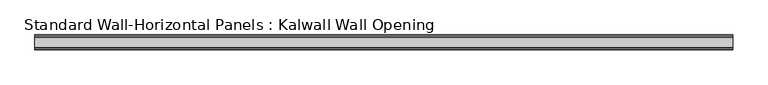
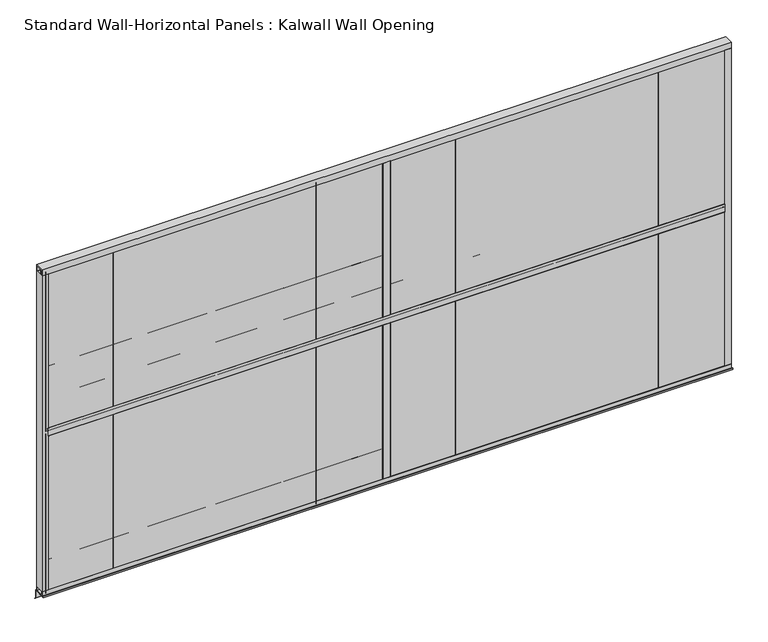
"""IFC4 building model written with IfcOpenShell, lengths in millimetres: proxy geometry, Standard Wall-Horizontal Panels : Kalwall Wall Opening."""

from ifc_helpers import new_model, si_unit, point, frame, frame_2d, origin, place, context, project, spatial, polyline, circle_curve, trimmed, segment, composite_curve, outline, extrude, source, transform, mapped, element, save


def standard_wall_horizontal_panels_kalwall_wall_opening_d6e41060(model_context):
    return source(origin(), model_context, "Body", "SweptSolid", [
        extrude(outline(polyline([(-30.734, -1359.916), (-30.734, -1371.6), (77.216, -1371.6), (77.216, -1439.4149029), (85.8986766, -1448.0975795), (85.1802561, -1448.816), (76.2, -1439.8357439), (76.2, -1372.616), (-31.75, -1372.616), (-31.75, -1359.916), (-30.734, -1359.916)])), frame((-2743.2, 0.0, 0.0), z_axis=(1.0, 0.0, 0.0), x_axis=(0.0, 1.0, 0.0)), (0.0, 0.0, 1.0), 5486.4),
        extrude(outline(composite_curve([segment(polyline([(-9.525, 25.4), (-9.525, -9.0932), (-3.9563337, -9.0932), (-1.4106774, -5.715), (-1.9595578, -4.9866111), (1.9264857, -1.1005677), (1.9264857, 1.905), (0.6564857, 1.905), (0.6564857, 3.175), (4.4664857, 3.175), (4.4664857, 1.905), (3.1964857, 1.905), (3.1964857, -1.3589), (18.3776675, -1.3589)]), True, "CONTINUOUS"), segment(trimmed(circle_curve(frame_2d((19.1396675, -1.3589)), 0.762), [point((18.3776675, -1.3589))], [point((19.6381732, -0.7825875))], False, "CARTESIAN"), True, "CONTINUOUS"), segment(polyline([(19.6381732, -0.7825875), (20.8494857, -1.9939), (19.4524857, -3.3909), (2.8690455, -3.3909), (1.3553955, -4.90455)]), True, "CONTINUOUS"), segment(trimmed(circle_curve(frame_2d((2.1658455, -5.715)), 1.1461494), [point((1.3553955, -4.90455))], [point((1.3553955, -6.52545))], True, "CARTESIAN"), True, "CONTINUOUS"), segment(polyline([(1.3553955, -6.52545), (2.7674455, -7.9375), (19.8958311, -7.9375), (20.8494857, -9.4361), (19.6381732, -10.6474125)]), True, "CONTINUOUS"), segment(trimmed(circle_curve(frame_2d((19.1396675, -10.0711)), 0.762), [point((19.6381732, -10.6474125))], [point((18.3776675, -10.0711))], False, "CARTESIAN"), True, "CONTINUOUS"), segment(polyline([(18.3776675, -10.0711), (1.6681533, -10.0711), (0.9317555, -9.3347022)]), True, "CONTINUOUS"), segment(trimmed(circle_curve(frame_2d((-0.1626604, -10.4291181)), 1.5477378), [point((0.9317555, -9.3347022))], [point((-1.3987388, -9.4976662))], True, "CARTESIAN"), True, "CONTINUOUS"), segment(polyline([(-1.3987388, -9.4976662), (-2.6251735, -11.1252), (-9.525, -11.1252), (-9.525, -41.275), (-11.6874515, -41.275)]), True, "CONTINUOUS"), segment(trimmed(circle_curve(frame_2d((-11.6874515, -40.2624515)), 1.0125485), [point((-11.6874515, -41.275))], [point((-12.7, -40.2624515))], False, "CARTESIAN"), True, "CONTINUOUS"), segment(polyline([(-12.7, -40.2624515), (-12.7, 24.3716164)]), True, "CONTINUOUS"), segment(trimmed(circle_curve(frame_2d((-11.6716163, 24.3716164)), 1.0283836), [point((-12.7, 24.3716164))], [point((-11.6716163, 25.4))], False, "CARTESIAN"), True, "CONTINUOUS"), segment(polyline([(-11.6716163, 25.4), (-9.525, 25.4)]), True, "CONTINUOUS")], self_intersect=False)), frame((-2692.4, 0.0, 0.0), z_axis=(1.0, 0.0, 0.0), x_axis=(0.0, 1.0, 0.0)), (0.0, 0.0, 1.0), 5384.8),
        extrude(outline(composite_curve([segment(polyline([(37.4610857, -1.1938), (37.4610857, -5.0038), (34.9210857, -5.0038), (34.9210857, 0.0762), (60.3210857, 0.0762), (60.3210857, 25.4), (62.0433344, 25.4)]), True, "CONTINUOUS"), segment(trimmed(circle_curve(frame_2d((62.0433344, 23.9433344)), 1.4566656), [point((62.0433344, 25.4))], [point((63.5, 23.9433344))], False, "CARTESIAN"), True, "CONTINUOUS"), segment(polyline([(63.5, 23.9433344), (63.5, -40.0942687)]), True, "CONTINUOUS"), segment(trimmed(circle_curve(frame_2d((62.3192687, -40.0942687)), 1.1807313), [point((63.5, -40.0942687))], [point((62.3192687, -41.275))], False, "CARTESIAN"), True, "CONTINUOUS"), segment(polyline([(62.3192687, -41.275), (60.3210857, -41.275), (60.3210857, -1.1938), (37.4610857, -1.1938)]), True, "CONTINUOUS")], self_intersect=False)), frame((-2692.4, 0.0, 0.0), z_axis=(1.0, 0.0, 0.0), x_axis=(0.0, 1.0, 0.0)), (0.0, 0.0, 1.0), 5384.8),
        extrude(outline(composite_curve([segment(polyline([(2.32332, 20.193), (3.21232, 21.082), (5.87932, 21.082), (5.87932, 19.935227), (4.3638084, 19.935227), (4.3638084, 2.7609064), (1.6984101, 0.0955081), (6.85722, -3.791934), (6.85722, -9.525), (31.75, -9.525), (31.75, -11.4827995)]), True, "CONTINUOUS"), segment(trimmed(circle_curve(frame_2d((30.5327995, -11.4827995)), 1.2172005), [point((31.75, -11.4827995))], [point((30.5327995, -12.7))], False, "CARTESIAN"), True, "CONTINUOUS"), segment(polyline([(30.5327995, -12.7), (-30.5189828, -12.7)]), True, "CONTINUOUS"), segment(trimmed(circle_curve(frame_2d((-30.5189828, -11.4689828)), 1.2310172), [point((-30.5189828, -12.7))], [point((-31.75, -11.4689828))], False, "CARTESIAN"), True, "CONTINUOUS"), segment(polyline([(-31.75, -11.4689828), (-31.75, -9.525), (5.07922, -9.525), (5.07922, -4.9964546), (-4.35688, 2.1141568), (-4.35688, 19.935227), (-5.88088, 19.935227), (-5.88088, 21.082), (-3.72188, 21.082), (-2.32488, 19.685), (-2.32488, 3.5941), (-0.8674053, 2.1366253)]), True, "CONTINUOUS"), segment(trimmed(circle_curve(frame_2d((-0.00078, 3.0032506)), 1.2255933), [point((-0.8674053, 2.1366253))], [point((0.8658453, 2.1366253))], True, "CARTESIAN"), True, "CONTINUOUS"), segment(polyline([(0.8658453, 2.1366253), (2.32332, 3.5941), (2.32332, 20.193)]), True, "CONTINUOUS")], self_intersect=False)), frame((0.0, 0.0, -1336.675), z_axis=(0.0, 0.0, 1.0), x_axis=(1.0, 0.0, 0.0)), (0.0, 0.0, 1.0), 1295.4),
        extrude(outline(composite_curve([segment(polyline([(-6.04598, 53.594), (-6.04598, 60.325), (-31.75, 60.325), (-31.75, 62.3041887)]), True, "CONTINUOUS"), segment(trimmed(circle_curve(frame_2d((-30.5541887, 62.3041887)), 1.1958113), [point((-31.75, 62.3041887))], [point((-30.5541887, 63.5))], False, "CARTESIAN"), True, "CONTINUOUS"), segment(polyline([(-30.5541887, 63.5), (30.5252641, 63.5)]), True, "CONTINUOUS"), segment(trimmed(circle_curve(frame_2d((30.5252641, 62.2752641)), 1.2247359), [point((30.5252641, 63.5))], [point((31.75, 62.2752641))], False, "CARTESIAN"), True, "CONTINUOUS"), segment(polyline([(31.75, 62.2752641), (31.75, 60.325), (6.04442, 60.325), (6.04442, 53.594), (4.76172, 53.594)]), True, "CONTINUOUS"), segment(trimmed(circle_curve(frame_2d((4.76172, 56.769)), 3.175), [point((4.76172, 53.594))], [point((1.58672, 56.769))], False, "CARTESIAN"), True, "CONTINUOUS"), segment(polyline([(1.58672, 56.769), (3.93622, 56.769), (3.93622, 60.325), (-3.93778, 60.325), (-3.93778, 56.769), (-1.58828, 56.769)]), True, "CONTINUOUS"), segment(trimmed(circle_curve(frame_2d((-4.76328, 56.769)), 3.175), [point((-1.58828, 56.769))], [point((-4.76328, 53.594))], False, "CARTESIAN"), True, "CONTINUOUS"), segment(polyline([(-4.76328, 53.594), (-6.04598, 53.594)]), True, "CONTINUOUS")], self_intersect=False)), frame((0.0, 0.0, -1336.675), z_axis=(0.0, 0.0, 1.0), x_axis=(1.0, 0.0, 0.0)), (0.0, 0.0, 1.0), 1295.4),
        extrude(outline(polyline([(11.1125, -7.9375), (11.1125, 58.7375), (2714.625, 58.7375), (2714.625, -7.9375), (11.1125, -7.9375)])), frame((0.0, 0.0, -297.18), z_axis=(0.0, 0.0, 1.0), x_axis=(1.0, 0.0, 0.0)), (0.0, 0.0, 1.0), 12.7),
        extrude(outline(polyline([(11.1125, -7.9375), (11.1125, 58.7375), (2714.625, 58.7375), (2714.625, -7.9375), (11.1125, -7.9375)])), frame((0.0, 0.0, -562.61), z_axis=(0.0, 0.0, 1.0), x_axis=(1.0, 0.0, 0.0)), (0.0, 0.0, 1.0), 12.7),
        extrude(outline(polyline([(11.1125, -7.9375), (11.1125, 58.7375), (2714.625, 58.7375), (2714.625, -7.9375), (11.1125, -7.9375)])), frame((0.0, 0.0, -828.04), z_axis=(0.0, 0.0, 1.0), x_axis=(1.0, 0.0, 0.0)), (0.0, 0.0, 1.0), 12.7),
        extrude(outline(polyline([(11.1125, -7.9375), (11.1125, 58.7375), (2714.625, 58.7375), (2714.625, -7.9375), (11.1125, -7.9375)])), frame((0.0, 0.0, -1093.47), z_axis=(0.0, 0.0, 1.0), x_axis=(1.0, 0.0, 0.0)), (0.0, 0.0, 1.0), 12.7),
        extrude(outline(polyline([(11.1125, -7.9375), (2714.625, -7.9375), (2714.625, -9.525), (11.1125, -9.525), (11.1125, -7.9375)])), frame((0.0, 0.0, -1358.9), z_axis=(0.0, 0.0, 1.0), x_axis=(1.0, 0.0, 0.0)), (0.0, 0.0, 1.0), 1339.85),
        extrude(outline(polyline([(11.1125, 60.325), (2714.625, 60.325), (2714.625, 58.7375), (11.1125, 58.7375), (11.1125, 60.325)])), frame((0.0, 0.0, -1358.9), z_axis=(0.0, 0.0, 1.0), x_axis=(1.0, 0.0, 0.0)), (0.0, 0.0, 1.0), 1339.85),
        extrude(outline(polyline([(549.275, 58.7375), (561.975, 58.7375), (561.975, -7.9375), (549.275, -7.9375), (549.275, 58.7375)])), frame((0.0, 0.0, -1358.9), z_axis=(0.0, 0.0, 1.0), x_axis=(1.0, 0.0, 0.0)), (0.0, 0.0, 1.0), 1339.85),
        extrude(outline(polyline([(1087.4375, 58.7375), (1100.1375, 58.7375), (1100.1375, -7.9375), (1087.4375, -7.9375), (1087.4375, 58.7375)])), frame((0.0, 0.0, -1358.9), z_axis=(0.0, 0.0, 1.0), x_axis=(1.0, 0.0, 0.0)), (0.0, 0.0, 1.0), 1339.85),
        extrude(outline(polyline([(1625.6, 58.7375), (1638.3, 58.7375), (1638.3, -7.9375), (1625.6, -7.9375), (1625.6, 58.7375)])), frame((0.0, 0.0, -1358.9), z_axis=(0.0, 0.0, 1.0), x_axis=(1.0, 0.0, 0.0)), (0.0, 0.0, 1.0), 1339.85),
        extrude(outline(polyline([(2163.7625, 58.7375), (2176.4625, 58.7375), (2176.4625, -7.9375), (2163.7625, -7.9375), (2163.7625, 58.7375)])), frame((0.0, 0.0, -1358.9), z_axis=(0.0, 0.0, 1.0), x_axis=(1.0, 0.0, 0.0)), (0.0, 0.0, 1.0), 1339.85),
        extrude(outline(polyline([(11.1125, 58.7375), (23.8125, 58.7375), (23.8125, -7.9375), (11.1125, -7.9375), (11.1125, 58.7375)])), frame((0.0, 0.0, -1358.9), z_axis=(0.0, 0.0, 1.0), x_axis=(1.0, 0.0, 0.0)), (0.0, 0.0, 1.0), 1339.85),
        extrude(outline(polyline([(11.1125, -7.9375), (11.1125, 58.7375), (2714.625, 58.7375), (2714.625, -7.9375), (11.1125, -7.9375)])), frame((0.0, 0.0, -31.75), z_axis=(0.0, 0.0, 1.0), x_axis=(1.0, 0.0, 0.0)), (0.0, 0.0, 1.0), 12.7),
        extrude(outline(polyline([(11.1125, -7.9375), (11.1125, 58.7375), (2714.625, 58.7375), (2714.625, -7.9375), (11.1125, -7.9375)])), frame((0.0, 0.0, -1358.9), z_axis=(0.0, 0.0, 1.0), x_axis=(1.0, 0.0, 0.0)), (0.0, 0.0, 1.0), 12.7),
        extrude(outline(polyline([(2701.925, 58.7375), (2714.625, 58.7375), (2714.625, -7.9375), (2701.925, -7.9375), (2701.925, 58.7375)])), frame((0.0, 0.0, -1358.9), z_axis=(0.0, 0.0, 1.0), x_axis=(1.0, 0.0, 0.0)), (0.0, 0.0, 1.0), 1339.85),
        extrude(outline(polyline([(-2714.625, -9.525), (-2714.625, 57.15), (-11.1125, 57.15), (-11.1125, -9.525), (-2714.625, -9.525)])), frame((0.0, 0.0, -297.18), z_axis=(0.0, 0.0, 1.0), x_axis=(1.0, 0.0, 0.0)), (0.0, 0.0, 1.0), 12.7),
        extrude(outline(polyline([(-2714.625, -9.525), (-2714.625, 57.15), (-11.1125, 57.15), (-11.1125, -9.525), (-2714.625, -9.525)])), frame((0.0, 0.0, -562.61), z_axis=(0.0, 0.0, 1.0), x_axis=(1.0, 0.0, 0.0)), (0.0, 0.0, 1.0), 12.7),
        extrude(outline(polyline([(-2714.625, -9.525), (-2714.625, 57.15), (-11.1125, 57.15), (-11.1125, -9.525), (-2714.625, -9.525)])), frame((0.0, 0.0, -828.04), z_axis=(0.0, 0.0, 1.0), x_axis=(1.0, 0.0, 0.0)), (0.0, 0.0, 1.0), 12.7),
        extrude(outline(polyline([(-2714.625, -9.525), (-2714.625, 57.15), (-11.1125, 57.15), (-11.1125, -9.525), (-2714.625, -9.525)])), frame((0.0, 0.0, -1093.47), z_axis=(0.0, 0.0, 1.0), x_axis=(1.0, 0.0, 0.0)), (0.0, 0.0, 1.0), 12.7),
        extrude(outline(polyline([(-2714.625, -9.525), (-11.1125, -9.525), (-11.1125, -11.1125), (-2714.625, -11.1125), (-2714.625, -9.525)])), frame((0.0, 0.0, -1358.9), z_axis=(0.0, 0.0, 1.0), x_axis=(1.0, 0.0, 0.0)), (0.0, 0.0, 1.0), 1339.85),
        extrude(outline(polyline([(-2714.625, 58.7375), (-11.1125, 58.7375), (-11.1125, 57.15), (-2714.625, 57.15), (-2714.625, 58.7375)])), frame((0.0, 0.0, -1358.9), z_axis=(0.0, 0.0, 1.0), x_axis=(1.0, 0.0, 0.0)), (0.0, 0.0, 1.0), 1339.85),
        extrude(outline(polyline([(-2176.4625, 57.15), (-2163.7625, 57.15), (-2163.7625, -9.525), (-2176.4625, -9.525), (-2176.4625, 57.15)])), frame((0.0, 0.0, -1358.9), z_axis=(0.0, 0.0, 1.0), x_axis=(1.0, 0.0, 0.0)), (0.0, 0.0, 1.0), 1339.85),
        extrude(outline(polyline([(-1638.3, 57.15), (-1625.6, 57.15), (-1625.6, -9.525), (-1638.3, -9.525), (-1638.3, 57.15)])), frame((0.0, 0.0, -1358.9), z_axis=(0.0, 0.0, 1.0), x_axis=(1.0, 0.0, 0.0)), (0.0, 0.0, 1.0), 1339.85),
        extrude(outline(polyline([(-1100.1375, 57.15), (-1087.4375, 57.15), (-1087.4375, -9.525), (-1100.1375, -9.525), (-1100.1375, 57.15)])), frame((0.0, 0.0, -1358.9), z_axis=(0.0, 0.0, 1.0), x_axis=(1.0, 0.0, 0.0)), (0.0, 0.0, 1.0), 1339.85),
        extrude(outline(polyline([(-561.975, 57.15), (-549.275, 57.15), (-549.275, -9.525), (-561.975, -9.525), (-561.975, 57.15)])), frame((0.0, 0.0, -1358.9), z_axis=(0.0, 0.0, 1.0), x_axis=(1.0, 0.0, 0.0)), (0.0, 0.0, 1.0), 1339.85),
        extrude(outline(polyline([(-2714.625, 57.15), (-2701.925, 57.15), (-2701.925, -9.525), (-2714.625, -9.525), (-2714.625, 57.15)])), frame((0.0, 0.0, -1358.9), z_axis=(0.0, 0.0, 1.0), x_axis=(1.0, 0.0, 0.0)), (0.0, 0.0, 1.0), 1339.85),
        extrude(outline(polyline([(-2714.625, -9.525), (-2714.625, 57.15), (-11.1125, 57.15), (-11.1125, -9.525), (-2714.625, -9.525)])), frame((0.0, 0.0, -31.75), z_axis=(0.0, 0.0, 1.0), x_axis=(1.0, 0.0, 0.0)), (0.0, 0.0, 1.0), 12.7),
        extrude(outline(polyline([(-2714.625, -9.525), (-2714.625, 57.15), (-11.1125, 57.15), (-11.1125, -9.525), (-2714.625, -9.525)])), frame((0.0, 0.0, -1358.9), z_axis=(0.0, 0.0, 1.0), x_axis=(1.0, 0.0, 0.0)), (0.0, 0.0, 1.0), 12.7),
        extrude(outline(polyline([(-23.8125, 57.15), (-11.1125, 57.15), (-11.1125, -9.525), (-23.8125, -9.525), (-23.8125, 57.15)])), frame((0.0, 0.0, -1358.9), z_axis=(0.0, 0.0, 1.0), x_axis=(1.0, 0.0, 0.0)), (0.0, 0.0, 1.0), 1339.85),
        extrude(outline(composite_curve([segment(polyline([(2.32332, 20.193), (3.21232, 21.082), (5.87932, 21.082), (5.87932, 19.935227), (4.3638084, 19.935227), (4.3638084, 2.7609064), (1.6984101, 0.0955081), (6.85722, -3.791934), (6.85722, -9.525), (31.75, -9.525), (31.75, -11.4827995)]), True, "CONTINUOUS"), segment(trimmed(circle_curve(frame_2d((30.5327995, -11.4827995)), 1.2172005), [point((31.75, -11.4827995))], [point((30.5327995, -12.7))], False, "CARTESIAN"), True, "CONTINUOUS"), segment(polyline([(30.5327995, -12.7), (-30.5189828, -12.7)]), True, "CONTINUOUS"), segment(trimmed(circle_curve(frame_2d((-30.5189828, -11.4689828)), 1.2310172), [point((-30.5189828, -12.7))], [point((-31.75, -11.4689828))], False, "CARTESIAN"), True, "CONTINUOUS"), segment(polyline([(-31.75, -11.4689828), (-31.75, -9.525), (5.07922, -9.525), (5.07922, -4.9964546), (-4.35688, 2.1141568), (-4.35688, 19.935227), (-5.88088, 19.935227), (-5.88088, 21.082), (-3.72188, 21.082), (-2.32488, 19.685), (-2.32488, 3.5941), (-0.8674053, 2.1366253)]), True, "CONTINUOUS"), segment(trimmed(circle_curve(frame_2d((-0.00078, 3.0032506)), 1.2255933), [point((-0.8674053, 2.1366253))], [point((0.8658453, 2.1366253))], True, "CARTESIAN"), True, "CONTINUOUS"), segment(polyline([(0.8658453, 2.1366253), (2.32332, 3.5941), (2.32332, 20.193)]), True, "CONTINUOUS")], self_intersect=False)), frame((0.0, 0.0, 25.4), z_axis=(0.0, 0.0, 1.0), x_axis=(1.0, 0.0, 0.0)), (0.0, 0.0, 1.0), 1295.4),
        extrude(outline(composite_curve([segment(polyline([(-6.04598, 53.594), (-6.04598, 60.325), (-31.75, 60.325), (-31.75, 62.3041887)]), True, "CONTINUOUS"), segment(trimmed(circle_curve(frame_2d((-30.5541887, 62.3041887)), 1.1958113), [point((-31.75, 62.3041887))], [point((-30.5541887, 63.5))], False, "CARTESIAN"), True, "CONTINUOUS"), segment(polyline([(-30.5541887, 63.5), (30.5252641, 63.5)]), True, "CONTINUOUS"), segment(trimmed(circle_curve(frame_2d((30.5252641, 62.2752641)), 1.2247359), [point((30.5252641, 63.5))], [point((31.75, 62.2752641))], False, "CARTESIAN"), True, "CONTINUOUS"), segment(polyline([(31.75, 62.2752641), (31.75, 60.325), (6.04442, 60.325), (6.04442, 53.594), (4.76172, 53.594)]), True, "CONTINUOUS"), segment(trimmed(circle_curve(frame_2d((4.76172, 56.769)), 3.175), [point((4.76172, 53.594))], [point((1.58672, 56.769))], False, "CARTESIAN"), True, "CONTINUOUS"), segment(polyline([(1.58672, 56.769), (3.93622, 56.769), (3.93622, 60.325), (-3.93778, 60.325), (-3.93778, 56.769), (-1.58828, 56.769)]), True, "CONTINUOUS"), segment(trimmed(circle_curve(frame_2d((-4.76328, 56.769)), 3.175), [point((-1.58828, 56.769))], [point((-4.76328, 53.594))], False, "CARTESIAN"), True, "CONTINUOUS"), segment(polyline([(-4.76328, 53.594), (-6.04598, 53.594)]), True, "CONTINUOUS")], self_intersect=False)), frame((0.0, 0.0, 25.4), z_axis=(0.0, 0.0, 1.0), x_axis=(1.0, 0.0, 0.0)), (0.0, 0.0, 1.0), 1295.4),
        extrude(outline(polyline([(11.1125, -7.9375), (11.1125, 58.7375), (2714.625, 58.7375), (2714.625, -7.9375), (11.1125, -7.9375)])), frame((0.0, 0.0, 1064.895), z_axis=(0.0, 0.0, 1.0), x_axis=(1.0, 0.0, 0.0)), (0.0, 0.0, 1.0), 12.7),
        extrude(outline(polyline([(11.1125, -7.9375), (11.1125, 58.7375), (2714.625, 58.7375), (2714.625, -7.9375), (11.1125, -7.9375)])), frame((0.0, 0.0, 799.465), z_axis=(0.0, 0.0, 1.0), x_axis=(1.0, 0.0, 0.0)), (0.0, 0.0, 1.0), 12.7),
        extrude(outline(polyline([(11.1125, -7.9375), (11.1125, 58.7375), (2714.625, 58.7375), (2714.625, -7.9375), (11.1125, -7.9375)])), frame((0.0, 0.0, 534.035), z_axis=(0.0, 0.0, 1.0), x_axis=(1.0, 0.0, 0.0)), (0.0, 0.0, 1.0), 12.7),
        extrude(outline(polyline([(11.1125, -7.9375), (11.1125, 58.7375), (2714.625, 58.7375), (2714.625, -7.9375), (11.1125, -7.9375)])), frame((0.0, 0.0, 268.605), z_axis=(0.0, 0.0, 1.0), x_axis=(1.0, 0.0, 0.0)), (0.0, 0.0, 1.0), 12.7),
        extrude(outline(polyline([(11.1125, -7.9375), (2714.625, -7.9375), (2714.625, -9.525), (11.1125, -9.525), (11.1125, -7.9375)])), frame((0.0, 0.0, 3.175), z_axis=(0.0, 0.0, 1.0), x_axis=(1.0, 0.0, 0.0)), (0.0, 0.0, 1.0), 1339.85),
        extrude(outline(polyline([(11.1125, 60.325), (2714.625, 60.325), (2714.625, 58.7375), (11.1125, 58.7375), (11.1125, 60.325)])), frame((0.0, 0.0, 3.175), z_axis=(0.0, 0.0, 1.0), x_axis=(1.0, 0.0, 0.0)), (0.0, 0.0, 1.0), 1339.85),
        extrude(outline(polyline([(549.275, 58.7375), (561.975, 58.7375), (561.975, -7.9375), (549.275, -7.9375), (549.275, 58.7375)])), frame((0.0, 0.0, 3.175), z_axis=(0.0, 0.0, 1.0), x_axis=(1.0, 0.0, 0.0)), (0.0, 0.0, 1.0), 1339.85),
        extrude(outline(polyline([(1087.4375, 58.7375), (1100.1375, 58.7375), (1100.1375, -7.9375), (1087.4375, -7.9375), (1087.4375, 58.7375)])), frame((0.0, 0.0, 3.175), z_axis=(0.0, 0.0, 1.0), x_axis=(1.0, 0.0, 0.0)), (0.0, 0.0, 1.0), 1339.85),
        extrude(outline(polyline([(1625.6, 58.7375), (1638.3, 58.7375), (1638.3, -7.9375), (1625.6, -7.9375), (1625.6, 58.7375)])), frame((0.0, 0.0, 3.175), z_axis=(0.0, 0.0, 1.0), x_axis=(1.0, 0.0, 0.0)), (0.0, 0.0, 1.0), 1339.85),
        extrude(outline(polyline([(2163.7625, 58.7375), (2176.4625, 58.7375), (2176.4625, -7.9375), (2163.7625, -7.9375), (2163.7625, 58.7375)])), frame((0.0, 0.0, 3.175), z_axis=(0.0, 0.0, 1.0), x_axis=(1.0, 0.0, 0.0)), (0.0, 0.0, 1.0), 1339.85),
        extrude(outline(polyline([(11.1125, 58.7375), (23.8125, 58.7375), (23.8125, -7.9375), (11.1125, -7.9375), (11.1125, 58.7375)])), frame((0.0, 0.0, 3.175), z_axis=(0.0, 0.0, 1.0), x_axis=(1.0, 0.0, 0.0)), (0.0, 0.0, 1.0), 1339.85),
        extrude(outline(polyline([(11.1125, -7.9375), (11.1125, 58.7375), (2714.625, 58.7375), (2714.625, -7.9375), (11.1125, -7.9375)])), frame((0.0, 0.0, 1330.325), z_axis=(0.0, 0.0, 1.0), x_axis=(1.0, 0.0, 0.0)), (0.0, 0.0, 1.0), 12.7),
        extrude(outline(polyline([(11.1125, -7.9375), (11.1125, 58.7375), (2714.625, 58.7375), (2714.625, -7.9375), (11.1125, -7.9375)])), frame((0.0, 0.0, 3.175), z_axis=(0.0, 0.0, 1.0), x_axis=(1.0, 0.0, 0.0)), (0.0, 0.0, 1.0), 12.7),
        extrude(outline(polyline([(2701.925, 58.7375), (2714.625, 58.7375), (2714.625, -7.9375), (2701.925, -7.9375), (2701.925, 58.7375)])), frame((0.0, 0.0, 3.175), z_axis=(0.0, 0.0, 1.0), x_axis=(1.0, 0.0, 0.0)), (0.0, 0.0, 1.0), 1339.85),
        extrude(outline(polyline([(-2714.625, -9.525), (-2714.625, 57.15), (-11.1125, 57.15), (-11.1125, -9.525), (-2714.625, -9.525)])), frame((0.0, 0.0, 1064.895), z_axis=(0.0, 0.0, 1.0), x_axis=(1.0, 0.0, 0.0)), (0.0, 0.0, 1.0), 12.7),
        extrude(outline(polyline([(-2714.625, -9.525), (-2714.625, 57.15), (-11.1125, 57.15), (-11.1125, -9.525), (-2714.625, -9.525)])), frame((0.0, 0.0, 799.465), z_axis=(0.0, 0.0, 1.0), x_axis=(1.0, 0.0, 0.0)), (0.0, 0.0, 1.0), 12.7),
        extrude(outline(polyline([(-2714.625, -9.525), (-2714.625, 57.15), (-11.1125, 57.15), (-11.1125, -9.525), (-2714.625, -9.525)])), frame((0.0, 0.0, 534.035), z_axis=(0.0, 0.0, 1.0), x_axis=(1.0, 0.0, 0.0)), (0.0, 0.0, 1.0), 12.7),
        extrude(outline(polyline([(-2714.625, -9.525), (-2714.625, 57.15), (-11.1125, 57.15), (-11.1125, -9.525), (-2714.625, -9.525)])), frame((0.0, 0.0, 268.605), z_axis=(0.0, 0.0, 1.0), x_axis=(1.0, 0.0, 0.0)), (0.0, 0.0, 1.0), 12.7),
        extrude(outline(polyline([(-2714.625, -9.525), (-11.1125, -9.525), (-11.1125, -11.1125), (-2714.625, -11.1125), (-2714.625, -9.525)])), frame((0.0, 0.0, 3.175), z_axis=(0.0, 0.0, 1.0), x_axis=(1.0, 0.0, 0.0)), (0.0, 0.0, 1.0), 1339.85),
        extrude(outline(polyline([(-2714.625, 58.7375), (-11.1125, 58.7375), (-11.1125, 57.15), (-2714.625, 57.15), (-2714.625, 58.7375)])), frame((0.0, 0.0, 3.175), z_axis=(0.0, 0.0, 1.0), x_axis=(1.0, 0.0, 0.0)), (0.0, 0.0, 1.0), 1339.85),
        extrude(outline(polyline([(-2176.4625, 57.15), (-2163.7625, 57.15), (-2163.7625, -9.525), (-2176.4625, -9.525), (-2176.4625, 57.15)])), frame((0.0, 0.0, 3.175), z_axis=(0.0, 0.0, 1.0), x_axis=(1.0, 0.0, 0.0)), (0.0, 0.0, 1.0), 1339.85),
        extrude(outline(polyline([(-1638.3, 57.15), (-1625.6, 57.15), (-1625.6, -9.525), (-1638.3, -9.525), (-1638.3, 57.15)])), frame((0.0, 0.0, 3.175), z_axis=(0.0, 0.0, 1.0), x_axis=(1.0, 0.0, 0.0)), (0.0, 0.0, 1.0), 1339.85),
        extrude(outline(polyline([(-1100.1375, 57.15), (-1087.4375, 57.15), (-1087.4375, -9.525), (-1100.1375, -9.525), (-1100.1375, 57.15)])), frame((0.0, 0.0, 3.175), z_axis=(0.0, 0.0, 1.0), x_axis=(1.0, 0.0, 0.0)), (0.0, 0.0, 1.0), 1339.85),
        extrude(outline(polyline([(-561.975, 57.15), (-549.275, 57.15), (-549.275, -9.525), (-561.975, -9.525), (-561.975, 57.15)])), frame((0.0, 0.0, 3.175), z_axis=(0.0, 0.0, 1.0), x_axis=(1.0, 0.0, 0.0)), (0.0, 0.0, 1.0), 1339.85),
        extrude(outline(polyline([(-2714.625, 57.15), (-2701.925, 57.15), (-2701.925, -9.525), (-2714.625, -9.525), (-2714.625, 57.15)])), frame((0.0, 0.0, 3.175), z_axis=(0.0, 0.0, 1.0), x_axis=(1.0, 0.0, 0.0)), (0.0, 0.0, 1.0), 1339.85),
        extrude(outline(polyline([(-2714.625, -9.525), (-2714.625, 57.15), (-11.1125, 57.15), (-11.1125, -9.525), (-2714.625, -9.525)])), frame((0.0, 0.0, 1330.325), z_axis=(0.0, 0.0, 1.0), x_axis=(1.0, 0.0, 0.0)), (0.0, 0.0, 1.0), 12.7),
        extrude(outline(polyline([(-2714.625, -9.525), (-2714.625, 57.15), (-11.1125, 57.15), (-11.1125, -9.525), (-2714.625, -9.525)])), frame((0.0, 0.0, 3.175), z_axis=(0.0, 0.0, 1.0), x_axis=(1.0, 0.0, 0.0)), (0.0, 0.0, 1.0), 12.7),
        extrude(outline(polyline([(-23.8125, 57.15), (-11.1125, 57.15), (-11.1125, -9.525), (-23.8125, -9.525), (-23.8125, 57.15)])), frame((0.0, 0.0, 3.175), z_axis=(0.0, 0.0, 1.0), x_axis=(1.0, 0.0, 0.0)), (0.0, 0.0, 1.0), 1339.85),
        extrude(outline(polyline([(2743.2, 63.5), (2743.2, -12.7), (2692.4, -12.7), (2692.4, -9.525), (2740.025, -9.525), (2740.025, 60.325), (2692.4, 60.325), (2692.4, 63.5), (2743.2, 63.5)])), frame((0.0, 0.0, -1336.675), z_axis=(0.0, 0.0, 1.0), x_axis=(1.0, 0.0, 0.0)), (0.0, 0.0, 1.0), 2657.475),
        extrude(outline(polyline([(-2743.2, 63.5), (-2692.4, 63.5), (-2692.4, 60.325), (-2740.025, 60.325), (-2740.025, -9.525), (-2692.4, -9.525), (-2692.4, -12.7), (-2743.2, -12.7), (-2743.2, 63.5)])), frame((0.0, 0.0, -1336.675), z_axis=(0.0, 0.0, 1.0), x_axis=(1.0, 0.0, 0.0)), (0.0, 0.0, 1.0), 2657.475),
        extrude(outline(polyline([(63.5, -1371.6), (-12.7, -1371.6), (-12.7, -1336.675), (-9.525, -1336.675), (-9.525, -1368.425), (60.325, -1368.425), (60.325, -1336.675), (63.5, -1336.675), (63.5, -1371.6)])), frame((-2743.2, 0.0, 0.0), z_axis=(1.0, 0.0, 0.0), x_axis=(0.0, 1.0, 0.0)), (0.0, 0.0, 1.0), 5486.4),
        extrude(outline(polyline([(-12.7, 1371.6), (63.5, 1371.6), (63.5, 1320.8), (60.325, 1320.8), (60.325, 1368.425), (-9.525, 1368.425), (-9.525, 1320.8), (-12.7, 1320.8), (-12.7, 1371.6)])), frame((-2743.2, 0.0, 0.0), z_axis=(1.0, 0.0, 0.0), x_axis=(0.0, 1.0, 0.0)), (0.0, 0.0, 1.0), 5486.4),
    ])


if __name__ == "__main__":
    model = new_model("IFC4")
    model_context = context("Model", 3, world=origin())
    ifc_project = project(units=[si_unit("LENGTHUNIT", "METRE", prefix="MILLI")], contexts=[model_context])
    site = spatial("IfcSite", under=ifc_project)
    building = spatial("IfcBuilding", under=site)
    placement = place(None, origin())
    standard_wall_horizontal_panels_kalwall_wall_opening_shape = standard_wall_horizontal_panels_kalwall_wall_opening_d6e41060(model_context)
    element("IfcBuildingElementProxy", 1, Name="Standard Wall-Horizontal Panels : Kalwall Wall Opening", ObjectType="Standard Wall-Horizontal Panels : Kalwall Wall Opening", at=placement, inside=building, context=model_context, shape_type="MappedRepresentation", body=[
        mapped(standard_wall_horizontal_panels_kalwall_wall_opening_shape, transform((0.0, 0.0, 0.0), x_axis=(1.0, 0.0, 0.0), y_axis=(0.0, 1.0, 0.0), z_axis=(0.0, 0.0, 1.0))),
    ])
    save(model, "model.ifc")
